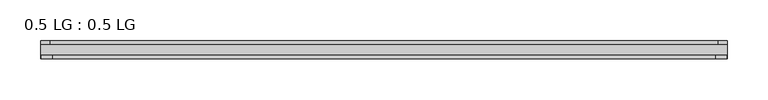
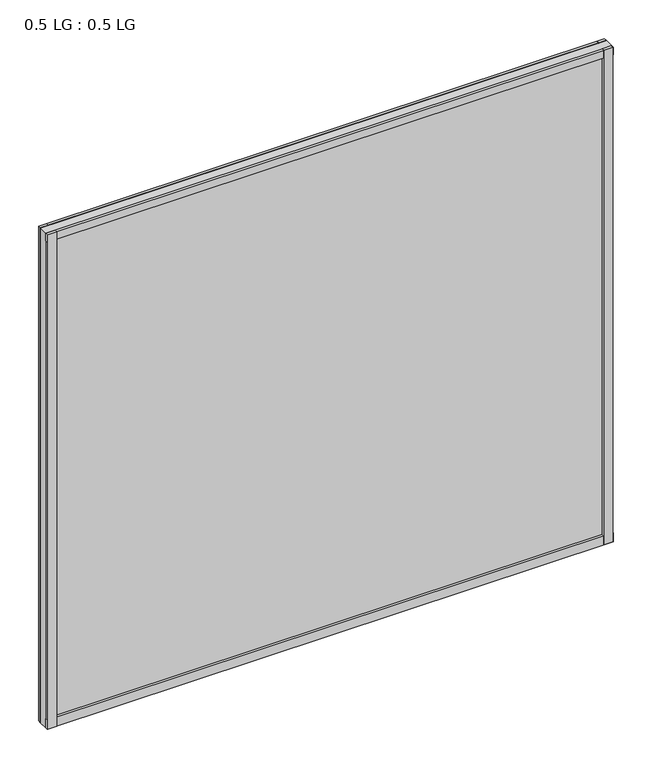
"""IFC4 building model written with IfcOpenShell, lengths in millimetres: plate geometry, 0.5 LG : 0.5 LG."""

from ifc_helpers import new_model, si_unit, frame, origin, origin_with_axes, place, context, project, spatial, polyline, outline, extrude, source, transform, mapped, element, save


def plate_0_5_lg_0_5_lg_b91a2721(model_context):
    return source(origin(), model_context, "Body", "SweptSolid", [
        extrude(outline(polyline([(423.068369, -4.6736), (411.6157724, -4.6736), (411.6157724, 0.0), (423.068369, 0.0), (423.068369, -4.6736)])), origin_with_axes(), (0.0, 0.0, 1.0), 781.1739499),
        extrude(outline(polyline([(408.8490451, -18.288), (422.2527656, -18.288), (422.2527656, -22.479), (408.8490451, -22.479), (408.8490451, -18.288)])), origin_with_axes(), (0.0, 0.0, 1.0), 781.1739499),
        extrude(outline(polyline([(-411.5505603, 0.0), (-411.5505603, -4.6736), (-423.068369, -4.6736), (-423.068369, 0.0), (-411.5505603, 0.0)])), origin_with_axes(), (0.0, 0.0, 1.0), 781.1739499),
        extrude(outline(polyline([(-408.8593202, -18.288), (-408.8593202, -22.479), (-422.2527656, -22.479), (-422.2527656, -18.288), (-408.8593202, -18.288)])), origin_with_axes(), (0.0, 0.0, 1.0), 781.1739499),
        extrude(outline(polyline([(423.068369, 0.0), (423.068369, -4.6736), (-423.068369, -4.6736), (-423.068369, 0.0), (423.068369, 0.0)])), origin_with_axes(), (0.0, 0.0, 1.0), 11.444324),
        extrude(outline(polyline([(423.068369, -18.288), (423.068369, -22.479), (-423.068369, -22.479), (-423.068369, -18.288), (423.068369, -18.288)])), origin_with_axes(), (0.0, 0.0, 1.0), 14.1703966),
        extrude(outline(polyline([(423.068369, 0.0), (423.068369, -4.6736), (-423.068369, -4.6736), (-423.068369, 0.0), (423.068369, 0.0)])), frame((0.0, 0.0, 769.5088472), z_axis=(0.0, 0.0, 1.0), x_axis=(1.0, 0.0, 0.0)), (0.0, 0.0, 1.0), 11.6651026),
        extrude(outline(polyline([(423.068369, -18.288), (423.068369, -22.479), (-423.068369, -22.479), (-423.068369, -18.288), (423.068369, -18.288)])), frame((0.0, 0.0, 769.5088472), z_axis=(0.0, 0.0, 1.0), x_axis=(1.0, 0.0, 0.0)), (0.0, 0.0, 1.0), 11.6651026),
        extrude(outline(polyline([(423.068369, -4.6736), (423.068369, -18.288), (-423.068369, -18.288), (-423.068369, -4.6736), (423.068369, -4.6736)])), origin_with_axes(), (0.0, 0.0, 1.0), 781.1739499),
    ])


if __name__ == "__main__":
    model = new_model("IFC4")
    model_context = context("Model", 3, world=origin())
    ifc_project = project(units=[si_unit("LENGTHUNIT", "METRE", prefix="MILLI")], contexts=[model_context])
    site = spatial("IfcSite", under=ifc_project)
    building = spatial("IfcBuilding", under=site)
    placement = place(None, origin())
    plate_0_5_lg_0_5_lg_shape = plate_0_5_lg_0_5_lg_b91a2721(model_context)
    element("IfcPlate", 1, ObjectType="0.5 LG : 0.5 LG", at=placement, inside=building, context=model_context, shape_type="MappedRepresentation", body=[
        mapped(plate_0_5_lg_0_5_lg_shape, transform((0.0, 0.0, 0.0), x_axis=(1.0, 0.0, 0.0), y_axis=(0.0, 1.0, 0.0), z_axis=(0.0, 0.0, 1.0))),
    ])
    save(model, "model.ifc")
